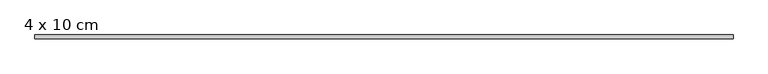
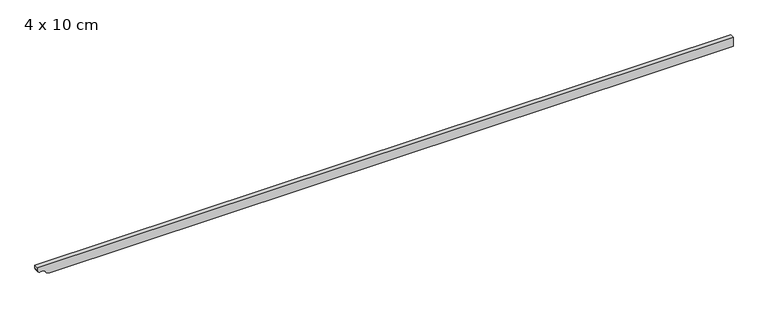
"""IFC4 building model written with IfcOpenShell, lengths in millimetres: beam geometry, 4 x 10 cm."""

from ifc_helpers import new_model, si_unit, point, frame, frame_2d, origin, place, context, project, spatial, polyline, circle_curve, trimmed, segment, composite_curve, outline, extrude, source, transform, mapped, element, save


def beam_4_x_10_cm_cafba359(model_context):
    return source(origin(), model_context, "Body", "SweptSolid", [
        extrude(outline(composite_curve([segment(polyline([(50.0, 3652.9612949), (50.0, -3692.689541), (22.5, -3692.689541)]), True, "CONTINUOUS"), segment(trimmed(circle_curve(frame_2d((22.5, -3660.189541)), 32.5), [point((22.5, -3692.689541))], [point((-10.0, -3660.189541))], False, "CARTESIAN"), True, "CONTINUOUS"), segment(polyline([(-10.0, -3660.189541), (-10.0, -3629.1793358)]), True, "CONTINUOUS"), segment(trimmed(circle_curve(frame_2d((-40.0, -3629.1793358)), 30.0), [point((-10.0, -3629.1793358))], [point((-34.0, -3599.7854589))], True, "CARTESIAN"), True, "CONTINUOUS"), segment(trimmed(circle_curve(frame_2d((-3.1535049, -3560.4345537)), 50.0), [point((-34.0, -3599.7854589))], [point((-53.1535049, -3560.4345537))], False, "CARTESIAN"), True, "CONTINUOUS"), segment(polyline([(-53.1535049, -3560.4345537), (-53.1535049, 3652.9612949), (50.0, 3652.9612949)]), True, "CONTINUOUS")], self_intersect=False)), frame((0.0, -20.0, 0.0), z_axis=(0.0, 1.0, 0.0), x_axis=(0.0, 0.0, 1.0)), (0.0, 0.0, 1.0), 40.0),
    ])


if __name__ == "__main__":
    model = new_model("IFC4")
    model_context = context("Model", 3, world=origin())
    ifc_project = project(units=[si_unit("LENGTHUNIT", "METRE", prefix="MILLI")], contexts=[model_context])
    site = spatial("IfcSite", under=ifc_project)
    building = spatial("IfcBuilding", under=site)
    placement = place(None, origin())
    beam_4_x_10_cm_shape = beam_4_x_10_cm_cafba359(model_context)
    element("IfcBeam", 1, ObjectType="4 x 10 cm", at=placement, inside=building, context=model_context, shape_type="MappedRepresentation", body=[
        mapped(beam_4_x_10_cm_shape, transform((0.0, 0.0, 0.0), x_axis=(1.0, 0.0, 0.0), y_axis=(0.0, 1.0, 0.0), z_axis=(0.0, 0.0, 1.0))),
    ])
    save(model, "model.ifc")
